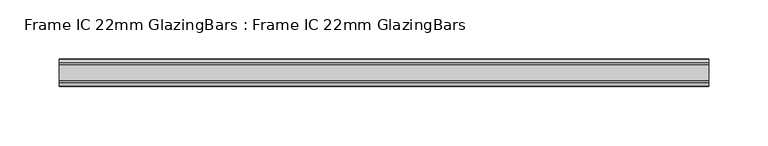
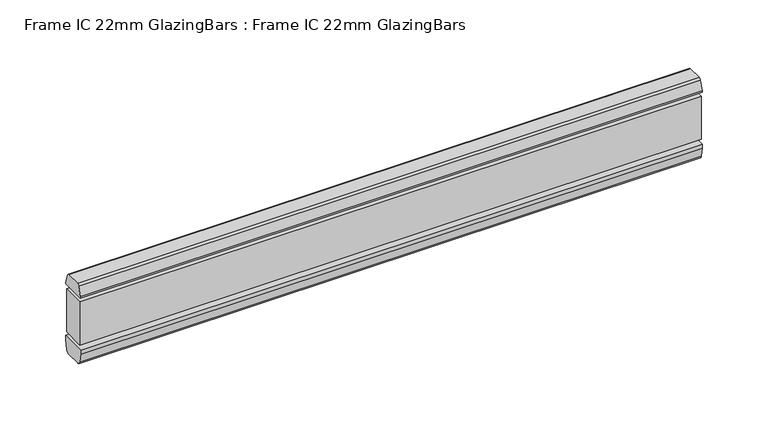
"""IFC4 building model written with IfcOpenShell, lengths in millimetres: proxy geometry, Frame IC 22mm GlazingBars : Frame IC 22mm GlazingBars."""

import ifcopenshell
import ifcopenshell.guid

model = None  # the IFC model being written
_history = None  # IfcOwnerHistory: only IFC2X3 demands one
_inside = {}  # id of a spatial element -> (the spatial element, [elements in it])
_under = {}  # id of a project, library or spatial element -> (it, [spatial elements below it])
_declared = {}  # id of a project -> (the project, [libraries it declares])
_typed = {}  # id of a type object -> (the type object, [elements of that type])
_made_of = {}  # id of a material, layer set ... -> (it, [elements and type objects made of it])


def new_model(schema):
    """Start an empty IFC model of exactly this schema.

    Asked for "IFC4X3", IfcOpenShell would pick the latest addendum, in which some entities
    have other attributes; the version numbers below select the first issue.
    IFC2X3 requires an IfcOwnerHistory on every rooted entity: one is made here for all.
    """
    global model, _history
    if schema == "IFC4X3":
        model = ifcopenshell.file(schema_version=(4, 3, 0, 0))
    else:
        model = ifcopenshell.file(schema=schema)
    _inside.clear()
    _under.clear()
    _declared.clear()
    _typed.clear()
    _made_of.clear()
    _history = None
    if model.schema == "IFC2X3":
        org = make("IfcOrganization", Name="unknown")
        user = make(
            "IfcPersonAndOrganization",
            ThePerson=make("IfcPerson", FamilyName="unknown"),
            TheOrganization=org,
        )
        app = make(
            "IfcApplication",
            ApplicationDeveloper=org,
            Version="unknown",
            ApplicationFullName="unknown",
            ApplicationIdentifier="unknown",
        )
        _history = make(
            "IfcOwnerHistory",
            OwningUser=user,
            OwningApplication=app,
            ChangeAction="ADDED",
            CreationDate=0,
        )
    return model


def make(cls, **values):
    """One entity of the class cls with the attributes given. An attribute that is None is left unset."""
    return model.create_entity(
        cls, **{name: value for name, value in values.items() if value is not None}
    )


def rooted(cls, **values):
    """An entity with a GlobalId (a new one), such as an element, a storey or a relation."""
    return make(cls, GlobalId=ifcopenshell.guid.new(), OwnerHistory=_history, **values)


def si_unit(unit_type, name, prefix=None):
    """IfcSIUnit, for example si_unit("LENGTHUNIT", "METRE", prefix="MILLI")."""
    return make("IfcSIUnit", UnitType=unit_type, Prefix=prefix, Name=name)


def assignment(units):
    """IfcUnitAssignment: the units of a project."""
    return None if units is None else make("IfcUnitAssignment", Units=units)


def point(xyz):
    """IfcCartesianPoint."""
    return None if xyz is None else make("IfcCartesianPoint", Coordinates=xyz)


def direction(xyz):
    """IfcDirection."""
    return None if xyz is None else make("IfcDirection", DirectionRatios=xyz)


def frame(location, z_axis=None, x_axis=None):
    """IfcAxis2Placement3D, a coordinate frame: its origin and axes. An axis left out is left unset."""
    return make(
        "IfcAxis2Placement3D",
        Location=point(location),
        Axis=direction(z_axis),
        RefDirection=direction(x_axis),
    )


def frame_2d(location, x_axis=None):
    """IfcAxis2Placement2D, a coordinate frame in the plane: its origin and x axis."""
    return make(
        "IfcAxis2Placement2D", Location=point(location), RefDirection=direction(x_axis)
    )


def origin():
    """The frame at (0, 0, 0) with its axes left unset."""
    return frame((0.0, 0.0, 0.0))


def place(relative_to, where):
    """IfcLocalPlacement: puts the frame where relative to a parent placement (None: the world)."""
    return make(
        "IfcLocalPlacement", PlacementRelTo=relative_to, RelativePlacement=where
    )


def context(
    kind, dimensions, precision=None, world=None, true_north=None, identifier=None
):
    """IfcGeometricRepresentationContext, for example the 3D "Model" context."""
    return make(
        "IfcGeometricRepresentationContext",
        ContextIdentifier=identifier,
        ContextType=kind,
        CoordinateSpaceDimension=dimensions,
        Precision=precision,
        WorldCoordinateSystem=world,
        TrueNorth=true_north,
    )


def project(units=None, contexts=None):
    """IfcProject with its units and contexts."""
    return rooted(
        "IfcProject",
        Name="project",
        RepresentationContexts=contexts,
        UnitsInContext=assignment(units),
    )


def spatial(cls, under=None, at=None, **own):
    """A site, building, storey or space (cls), placed at a placement, below another one or the project."""
    s = rooted(cls, ObjectPlacement=at, **own)
    if under is not None:
        _under.setdefault(under.id(), (under, []))[1].append(s)
    return s


def polyline(points):
    """IfcPolyline through the points."""
    return make("IfcPolyline", Points=[point(p) for p in points])


def circle_curve(where, radius):
    """IfcCircle in the frame where."""
    return make("IfcCircle", Position=where, Radius=radius)


def trimmed(basis, trim1, trim2, sense, master):
    """IfcTrimmedCurve: the piece of a basis curve between two trims."""
    return make(
        "IfcTrimmedCurve",
        BasisCurve=basis,
        Trim1=trim1,
        Trim2=trim2,
        SenseAgreement=sense,
        MasterRepresentation=master,
    )


def segment(curve, same_sense, transition):
    """IfcCompositeCurveSegment."""
    return make(
        "IfcCompositeCurveSegment",
        Transition=transition,
        SameSense=same_sense,
        ParentCurve=curve,
    )


def composite_curve(segments, self_intersect=None):
    """IfcCompositeCurve: segments joined end to end."""
    return make("IfcCompositeCurve", Segments=segments, SelfIntersect=self_intersect)


def outline(outer, holes=None, kind="AREA"):
    """IfcArbitraryClosedProfileDef: a profile drawn as a closed curve; with holes, ...WithVoids."""
    if holes is None:
        return make("IfcArbitraryClosedProfileDef", ProfileType=kind, OuterCurve=outer)
    return make(
        "IfcArbitraryProfileDefWithVoids",
        ProfileType=kind,
        OuterCurve=outer,
        InnerCurves=holes,
    )


def extrude(swept, where, along, depth):
    """IfcExtrudedAreaSolid: the profile swept, set in the frame where, extruded along a direction by depth."""
    return make(
        "IfcExtrudedAreaSolid",
        SweptArea=swept,
        Position=where,
        ExtrudedDirection=direction(along),
        Depth=depth,
    )


def shape(context_of_items, identifier, shape_type, items):
    """IfcShapeRepresentation: the items that make up one representation, for example the "Body"."""
    return make(
        "IfcShapeRepresentation",
        ContextOfItems=context_of_items,
        RepresentationIdentifier=identifier,
        RepresentationType=shape_type,
        Items=items,
    )


def source(mapping_origin, context_of_items, identifier, shape_type, items):
    """IfcRepresentationMap: a shape defined once, which mapped items show again and again."""
    return make(
        "IfcRepresentationMap",
        MappingOrigin=mapping_origin,
        MappedRepresentation=shape(context_of_items, identifier, shape_type, items),
    )


def transform(
    local_origin,
    x_axis=None,
    y_axis=None,
    z_axis=None,
    scale=None,
    scale2=None,
    scale3=None,
    uniform=True,
):
    """IfcCartesianTransformationOperator3D, or its non-uniform kind. x_axis, y_axis, z_axis: its Axis1, 2, 3."""
    if uniform:
        return make(
            "IfcCartesianTransformationOperator3D",
            Axis1=direction(x_axis),
            Axis2=direction(y_axis),
            LocalOrigin=point(local_origin),
            Scale=scale,
            Axis3=direction(z_axis),
        )
    return make(
        "IfcCartesianTransformationOperator3DnonUniform",
        Axis1=direction(x_axis),
        Axis2=direction(y_axis),
        LocalOrigin=point(local_origin),
        Scale=scale,
        Axis3=direction(z_axis),
        Scale2=scale2,
        Scale3=scale3,
    )


def mapped(mapping_source, mapping_target):
    """IfcMappedItem: shows the shape of a source again, moved by a transform."""
    return make(
        "IfcMappedItem", MappingSource=mapping_source, MappingTarget=mapping_target
    )


def made_of(thing, what):
    """Note that an element or type object is made of a material, layer set ...; save() writes the relation."""
    if what is not None:
        _made_of.setdefault(what.id(), (what, []))[1].append(thing)
    return thing


def element(
    cls,
    number,
    at=None,
    inside=None,
    cuts=None,
    type_object=None,
    material=None,
    context=None,
    identifier="Body",
    shape_type=None,
    held_by="IfcProductDefinitionShape",
    body=None,
    shapes=None,
    **own,
):
    """One element of the class cls, such as IfcWall. Its Tag is "e" and its number.

    at: its placement. inside: the storey or other place that contains it. cuts: it is an
    opening in that element (IfcRelVoidsElement). A single representation is given by context,
    identifier, shape_type and body (its items); several are given by shapes. held_by: the class
    of the entity that holds the representations. save() writes the other relations.
    """
    e = rooted(cls, Tag="e%d" % number, ObjectPlacement=at, **own)
    if body is not None:
        shapes = [shape(context, identifier, shape_type, body)]
    if shapes is not None:
        e.Representation = make(held_by, Representations=shapes)
    if inside is not None:
        _inside.setdefault(inside.id(), (inside, []))[1].append(e)
    if cuts is not None:
        rooted(
            "IfcRelVoidsElement", RelatingBuildingElement=cuts, RelatedOpeningElement=e
        )
    if type_object is not None:
        _typed.setdefault(type_object.id(), (type_object, []))[1].append(e)
    return made_of(e, material)


def aggregate(whole, parts):
    """IfcRelAggregates: a whole, such as a stair, and the parts it consists of."""
    return rooted("IfcRelAggregates", RelatingObject=whole, RelatedObjects=parts)


def save(model, path):
    """Write the relations noted so far, then the file.

    IfcRelAggregates (storeys below a building ...), IfcRelContainedInSpatialStructure (elements
    in a storey), IfcRelDefinesByType, IfcRelAssociatesMaterial and IfcRelDeclares: one each for
    every whole, place, type object, material and project.
    """
    for whole, parts in _under.values():
        aggregate(whole, parts)
    for where, things in _inside.values():
        rooted(
            "IfcRelContainedInSpatialStructure",
            RelatedElements=things,
            RelatingStructure=where,
        )
    for kind, things in _typed.values():
        rooted("IfcRelDefinesByType", RelatedObjects=things, RelatingType=kind)
    for what, things in _made_of.values():
        rooted("IfcRelAssociatesMaterial", RelatedObjects=things, RelatingMaterial=what)
    for by, libraries in _declared.values():
        rooted("IfcRelDeclares", RelatingContext=by, RelatedDefinitions=libraries)
    model.write(path)


def frame_ic_22mm_glazingbars_frame_ic_22mm_glazingbars_2dbe6762(model_context):
    return source(origin(), model_context, "Body", "SweptSolid", [
        extrude(outline(composite_curve([segment(polyline([(165.5398889, 1.6747255), (168.0499433, 9.8847434)]), True, "CONTINUOUS"), segment(trimmed(circle_curve(frame_2d((169.9625528, 9.3)), 2.0), [point((168.0499433, 9.8847434))], [point((169.9625528, 11.3))], False, "CARTESIAN"), True, "CONTINUOUS"), segment(polyline([(169.9625528, 11.3), (183.117225, 11.3)]), True, "CONTINUOUS"), segment(trimmed(circle_curve(frame_2d((183.117225, 9.3)), 2.0), [point((183.117225, 11.3))], [point((185.0298345, 9.8847434))], False, "CARTESIAN"), True, "CONTINUOUS"), segment(polyline([(185.0298345, 9.8847434), (187.5398889, 1.6747255), (187.5398889, 0.0), (165.5398889, 0.0), (165.5398889, 1.6747255)]), True, "CONTINUOUS")], self_intersect=False)), frame((-186.6105843, 0.0, 0.0), z_axis=(1.0, 0.0, 0.0), x_axis=(0.0, 1.0, 0.0)), (0.0, 0.0, 1.0), 546.6602024),
        extrude(outline(composite_curve([segment(polyline([(166.9042614, -60.3237351), (165.0398889, -51.5525521), (165.0398889, -48.0), (188.0398889, -48.0), (188.0398889, -51.5525521), (186.1755164, -60.3237351)]), True, "CONTINUOUS"), segment(trimmed(circle_curve(frame_2d((183.2410736, -59.7)), 3.0), [point((186.1755164, -60.3237351))], [point((183.2410736, -62.7))], False, "CARTESIAN"), True, "CONTINUOUS"), segment(polyline([(183.2410736, -62.7), (169.8387042, -62.7)]), True, "CONTINUOUS"), segment(trimmed(circle_curve(frame_2d((169.8387042, -59.7)), 3.0), [point((169.8387042, -62.7))], [point((166.9042614, -60.3237351))], False, "CARTESIAN"), True, "CONTINUOUS")], self_intersect=False)), frame((-186.6105843, 0.0, 0.0), z_axis=(1.0, 0.0, 0.0), x_axis=(0.0, 1.0, 0.0)), (0.0, 0.0, 1.0), 546.6602024),
        extrude(outline(polyline([(360.0496182, 186.5398889), (360.0496182, 166.5398889), (-186.6105843, 166.5398889), (-186.6105843, 186.5398889), (360.0496182, 186.5398889)])), frame((0.0, 0.0, -44.0237411), z_axis=(0.0, 0.0, 1.0), x_axis=(1.0, 0.0, 0.0)), (0.0, 0.0, 1.0), 40.0237411),
    ])


if __name__ == "__main__":
    model = new_model("IFC4")
    model_context = context("Model", 3, world=origin())
    ifc_project = project(units=[si_unit("LENGTHUNIT", "METRE", prefix="MILLI")], contexts=[model_context])
    site = spatial("IfcSite", under=ifc_project)
    building = spatial("IfcBuilding", under=site)
    placement = place(None, origin())
    frame_ic_22mm_glazingbars_frame_ic_22mm_glazingbars_shape = frame_ic_22mm_glazingbars_frame_ic_22mm_glazingbars_2dbe6762(model_context)
    element("IfcBuildingElementProxy", 1, Name="Frame IC 22mm GlazingBars : Frame IC 22mm GlazingBars", ObjectType="Frame IC 22mm GlazingBars : Frame IC 22mm GlazingBars", at=placement, inside=building, context=model_context, shape_type="MappedRepresentation", body=[
        mapped(frame_ic_22mm_glazingbars_frame_ic_22mm_glazingbars_shape, transform((0.0, 0.0, 0.0), x_axis=(1.0, 0.0, 0.0), y_axis=(0.0, 1.0, 0.0), z_axis=(0.0, 0.0, 1.0))),
    ])
    save(model, "model.ifc")
